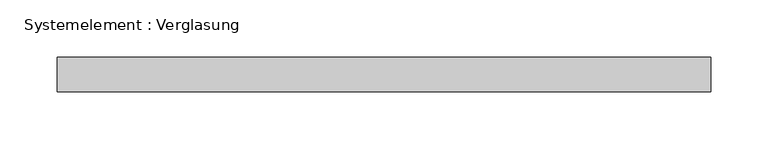
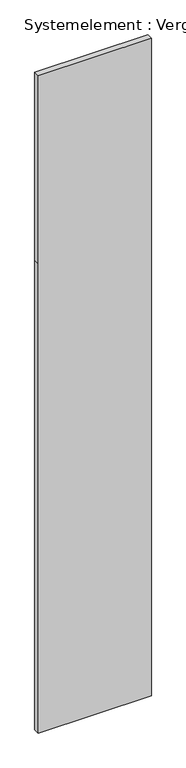
"""IFC4 building model written with IfcOpenShell, lengths in millimetres: plate geometry, Systemelement : Verglasung."""

from ifc_helpers import new_model, si_unit, frame, origin, place, context, project, spatial, polyline, outline, extrude, source, transform, mapped, element, save


def systemelement_verglasung_31565f19(model_context):
    return source(origin(), model_context, "Body", "SweptSolid", [
        extrude(outline(polyline([(0.0, -285.0), (0.0, 285.0), (2500.0, 285.0), (3500.0, 285.0), (3500.0, -285.0), (2500.0, -285.0), (0.0, -285.0)])), frame((0.0, -15.0, 0.0), z_axis=(0.0, 1.0, 0.0), x_axis=(0.0, 0.0, 1.0)), (0.0, 0.0, 1.0), 30.0),
    ])


if __name__ == "__main__":
    model = new_model("IFC4")
    model_context = context("Model", 3, world=origin())
    ifc_project = project(units=[si_unit("LENGTHUNIT", "METRE", prefix="MILLI")], contexts=[model_context])
    site = spatial("IfcSite", under=ifc_project)
    building = spatial("IfcBuilding", under=site)
    placement = place(None, origin())
    systemelement_verglasung_shape = systemelement_verglasung_31565f19(model_context)
    element("IfcPlate", 1, ObjectType="Systemelement : Verglasung", at=placement, inside=building, context=model_context, shape_type="MappedRepresentation", body=[
        mapped(systemelement_verglasung_shape, transform((0.0, 0.0, 0.0), x_axis=(1.0, 0.0, 0.0), y_axis=(0.0, 1.0, 0.0), z_axis=(0.0, 0.0, 1.0))),
    ])
    save(model, "model.ifc")
